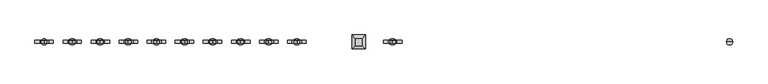
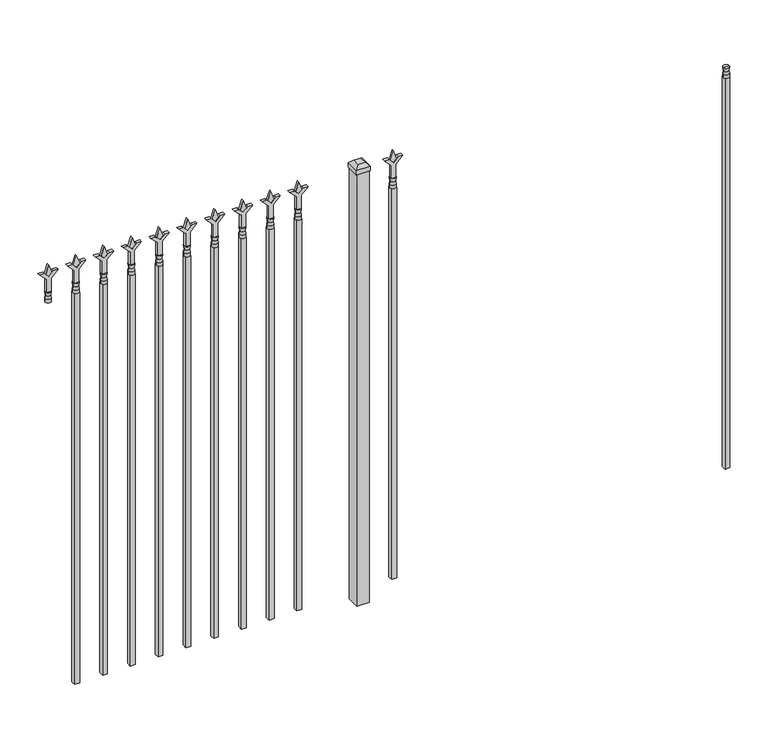
"""IFC4 building model written with IfcOpenShell, lengths in millimetres: railing geometry."""

from ifc_helpers import new_model, si_unit, frame, origin, origin_with_axes, place, context, project, spatial, polyline, circle_curve, outline, extrude, faceted_brep, source, transform, mapped, element, save
from ifc_brep_helpers import plane_surface, cylinder_surface, revolved_surface, advanced_brep


def railing_1b035f85(model_context):
    return source(origin(), model_context, "Body", "SolidModel", [
        advanced_brep(
        [(-64411.574337, 3022.3429826, 1689.1), (-64435.386837, 3022.3429826, 1689.1), (-64435.386837, 3022.3429826, 1676.4), (-64411.574337, 3022.3429826, 1676.4), (-64413.7796688, 3022.3429826, 1701.6070585), (-64433.1815051, 3022.3429826, 1701.6070585), (-64411.574337, 3022.3429826, 1717.675), (-64435.386837, 3022.3429826, 1717.675), (-64423.480587, 3022.3429826, 1717.675), (-64423.480587, 3022.3429826, 1676.4)],
        [
            (0, 1, circle_curve(frame((-64423.480587, 3022.3429826, 1689.1), z_axis=(0.0, 0.0, -1.0), x_axis=(-1.0, 0.0, 0.0)), 11.90625)),
            (1, 2),
            (2, 3, circle_curve(frame((-64423.480587, 3022.3429826, 1676.4), z_axis=(0.0, 0.0, 1.0), x_axis=(-1.0, 0.0, 0.0)), 11.90625)),
            (3, 0),
            (1, 0, circle_curve(frame((-64423.480587, 3022.3429826, 1689.1), z_axis=(0.0, 0.0, -1.0), x_axis=(-1.0, 0.0, 0.0)), 11.90625)),
            (3, 2, circle_curve(frame((-64423.480587, 3022.3429826, 1676.4), z_axis=(0.0, 0.0, 1.0), x_axis=(-1.0, 0.0, 0.0)), 11.90625)),
            (4, 5, circle_curve(frame((-64423.480587, 3022.3429826, 1701.6070585), z_axis=(0.0, 0.0, -1.0), x_axis=(-1.0, 0.0, 0.0)), 9.7009181)),
            (5, 1),
            (0, 4),
            (5, 4, circle_curve(frame((-64423.480587, 3022.3429826, 1701.6070585), z_axis=(0.0, 0.0, -1.0), x_axis=(-1.0, 0.0, 0.0)), 9.7009181)),
            (6, 7, circle_curve(frame((-64423.480587, 3022.3429826, 1717.675), z_axis=(0.0, 0.0, -1.0), x_axis=(-1.0, 0.0, 0.0)), 11.90625)),
            (7, 5),
            (4, 6),
            (7, 6, circle_curve(frame((-64423.480587, 3022.3429826, 1717.675), z_axis=(0.0, 0.0, -1.0), x_axis=(-1.0, 0.0, 0.0)), 11.90625)),
            (8, 7),
            (6, 8),
            (2, 9),
            (9, 3),
        ],
        [
            cylinder_surface(frame((-64423.480587, 3022.3429826, 1676.4), z_axis=(0.0, 0.0, 1.0), x_axis=(-1.0, 0.0, 0.0)), 11.90625),
            revolved_surface(polyline([(-64435.386837, 3022.3429826, 1689.1), (-64433.1815051, 3022.3429826, 1701.6070585)]), (-64423.480587, 3022.3429826, 1676.4), (0.0, 0.0, 1.0)),
            revolved_surface(polyline([(-64433.1815051, 3022.3429826, 1701.6070585), (-64435.386837, 3022.3429826, 1717.675)]), (-64423.480587, 3022.3429826, 1676.4), (0.0, 0.0, 1.0)),
            plane_surface(frame((-64423.480587, 3022.3429826, 1717.675), z_axis=(0.0, 0.0, 1.0), x_axis=(-1.0, 0.0, 0.0))),
            plane_surface(frame((-64423.480587, 3022.3429826, 1676.4), z_axis=(0.0, 0.0, -1.0), x_axis=(-1.0, 0.0, 0.0))),
        ],
        [
            (0, [[1, 2, 3, 4]]),
            (0, [[5, -4, 6, -2]]),
            (1, [[7, 8, -1, 9]]),
            (1, [[10, -9, -5, -8]]),
            (2, [[11, 12, -7, 13]]),
            (2, [[14, -13, -10, -12]]),
            (3, [[15, -11, 16]]),
            (3, [[-16, -14, -15]]),
            (4, [[-3, 17, 18]]),
            (4, [[-6, -18, -17]]),
        ],
    ),
        extrude(outline(polyline([(-64433.005587, 3031.8679826), (-64413.955587, 3031.8679826), (-64413.955587, 3012.8179826), (-64433.005587, 3012.8179826), (-64433.005587, 3031.8679826)])), frame((0.0, 0.0, 50.8), z_axis=(0.0, 0.0, 1.0), x_axis=(1.0, 0.0, 0.0)), (0.0, 0.0, 1.0), 1625.6),
        extrude(outline(polyline([(1793.08125, -65722.849337), (1828.8, -65734.755587), (1793.08125, -65746.661837), (1781.175, -65734.755587), (1793.08125, -65722.849337)])), frame((0.0, 3017.5804826, 0.0), z_axis=(0.0, 1.0, 0.0), x_axis=(0.0, 0.0, 1.0)), (0.0, 0.0, 1.0), 9.525),
        extrude(outline(polyline([(1717.675, -65726.024337), (1771.9457378, -65726.024337), (1799.1355122, -65698.8345625), (1799.1355122, -65716.7950747), (1781.175, -65734.755587), (1799.1355122, -65752.7160992), (1799.1355122, -65770.6766114), (1771.9457378, -65743.486837), (1717.675, -65743.486837), (1717.675, -65726.024337)])), frame((0.0, 3015.9929826, 0.0), z_axis=(0.0, 1.0, 0.0), x_axis=(0.0, 0.0, 1.0)), (0.0, 0.0, 1.0), 12.7),
        advanced_brep(
        [(-65722.849337, 3022.3429826, 1689.1), (-65746.661837, 3022.3429826, 1689.1), (-65746.661837, 3022.3429826, 1676.4), (-65722.849337, 3022.3429826, 1676.4), (-65725.0546688, 3022.3429826, 1701.6070585), (-65744.4565051, 3022.3429826, 1701.6070585), (-65722.849337, 3022.3429826, 1717.675), (-65746.661837, 3022.3429826, 1717.675), (-65734.755587, 3022.3429826, 1717.675), (-65734.755587, 3022.3429826, 1676.4)],
        [
            (0, 1, circle_curve(frame((-65734.755587, 3022.3429826, 1689.1), z_axis=(0.0, 0.0, -1.0), x_axis=(-1.0, 0.0, 0.0)), 11.90625)),
            (1, 2),
            (2, 3, circle_curve(frame((-65734.755587, 3022.3429826, 1676.4), z_axis=(0.0, 0.0, 1.0), x_axis=(-1.0, 0.0, 0.0)), 11.90625)),
            (3, 0),
            (1, 0, circle_curve(frame((-65734.755587, 3022.3429826, 1689.1), z_axis=(0.0, 0.0, -1.0), x_axis=(-1.0, 0.0, 0.0)), 11.90625)),
            (3, 2, circle_curve(frame((-65734.755587, 3022.3429826, 1676.4), z_axis=(0.0, 0.0, 1.0), x_axis=(-1.0, 0.0, 0.0)), 11.90625)),
            (4, 5, circle_curve(frame((-65734.755587, 3022.3429826, 1701.6070585), z_axis=(0.0, 0.0, -1.0), x_axis=(-1.0, 0.0, 0.0)), 9.7009181)),
            (5, 1),
            (0, 4),
            (5, 4, circle_curve(frame((-65734.755587, 3022.3429826, 1701.6070585), z_axis=(0.0, 0.0, -1.0), x_axis=(-1.0, 0.0, 0.0)), 9.7009181)),
            (6, 7, circle_curve(frame((-65734.755587, 3022.3429826, 1717.675), z_axis=(0.0, 0.0, -1.0), x_axis=(-1.0, 0.0, 0.0)), 11.90625)),
            (7, 5),
            (4, 6),
            (7, 6, circle_curve(frame((-65734.755587, 3022.3429826, 1717.675), z_axis=(0.0, 0.0, -1.0), x_axis=(-1.0, 0.0, 0.0)), 11.90625)),
            (8, 7),
            (6, 8),
            (2, 9),
            (9, 3),
        ],
        [
            cylinder_surface(frame((-65734.755587, 3022.3429826, 1676.4), z_axis=(0.0, 0.0, 1.0), x_axis=(-1.0, 0.0, 0.0)), 11.90625),
            revolved_surface(polyline([(-65746.661837, 3022.3429826, 1689.1), (-65744.4565051, 3022.3429826, 1701.6070585)]), (-65734.755587, 3022.3429826, 1676.4), (0.0, 0.0, 1.0)),
            revolved_surface(polyline([(-65744.4565051, 3022.3429826, 1701.6070585), (-65746.661837, 3022.3429826, 1717.675)]), (-65734.755587, 3022.3429826, 1676.4), (0.0, 0.0, 1.0)),
            plane_surface(frame((-65734.755587, 3022.3429826, 1717.675), z_axis=(0.0, 0.0, 1.0), x_axis=(-1.0, 0.0, 0.0))),
            plane_surface(frame((-65734.755587, 3022.3429826, 1676.4), z_axis=(0.0, 0.0, -1.0), x_axis=(-1.0, 0.0, 0.0))),
        ],
        [
            (0, [[1, 2, 3, 4]]),
            (0, [[5, -4, 6, -2]]),
            (1, [[7, 8, -1, 9]]),
            (1, [[10, -9, -5, -8]]),
            (2, [[11, 12, -7, 13]]),
            (2, [[14, -13, -10, -12]]),
            (3, [[15, -11, 16]]),
            (3, [[-16, -14, -15]]),
            (4, [[-3, 17, 18]]),
            (4, [[-6, -18, -17]]),
        ],
    ),
        extrude(outline(polyline([(-65744.280587, 3031.8679826), (-65725.230587, 3031.8679826), (-65725.230587, 3012.8179826), (-65744.280587, 3012.8179826), (-65744.280587, 3031.8679826)])), frame((0.0, 0.0, 50.8), z_axis=(0.0, 0.0, 1.0), x_axis=(1.0, 0.0, 0.0)), (0.0, 0.0, 1.0), 1625.6),
        extrude(outline(polyline([(-65841.118087, 3047.7429826), (-65841.118087, 2996.9429826), (-65891.918087, 2996.9429826), (-65891.918087, 3047.7429826), (-65841.118087, 3047.7429826)])), origin_with_axes(), (0.0, 0.0, 1.0), 1797.05),
        faceted_brep([(-65893.505587, 3049.3304826, 1816.1), (-65893.505587, 3049.3304826, 1797.05), (-65893.505587, 2995.3554826, 1797.05), (-65893.505587, 2995.3554826, 1816.1), (-65880.805587, 3036.6304826, 1828.8), (-65880.805587, 3008.0554826, 1828.8), (-65839.530587, 2995.3554826, 1797.05), (-65839.530587, 2995.3554826, 1816.1), (-65852.230587, 3008.0554826, 1828.8), (-65839.530587, 3049.3304826, 1797.05), (-65839.530587, 3049.3304826, 1816.1), (-65852.230587, 3036.6304826, 1828.8)], [[[0, 1, 2, 3]], [[4, 0, 3, 5]], [[3, 2, 6, 7]], [[5, 3, 7, 8]], [[7, 6, 9, 10]], [[8, 7, 10, 11]], [[10, 9, 1, 0]], [[11, 10, 0, 4]], [[5, 8, 11, 4]], [[1, 9, 6, 2]]]),
        extrude(outline(polyline([(1793.08125, -66095.6472536), (1828.8, -66107.5535036), (1793.08125, -66119.4597536), (1781.175, -66107.5535036), (1793.08125, -66095.6472536)])), frame((0.0, 3017.5804826, 0.0), z_axis=(0.0, 1.0, 0.0), x_axis=(0.0, 0.0, 1.0)), (0.0, 0.0, 1.0), 9.525),
        extrude(outline(polyline([(1717.675, -66098.8222536), (1771.9457378, -66098.8222536), (1799.1355122, -66071.6324791), (1799.1355122, -66089.5929914), (1781.175, -66107.5535036), (1799.1355122, -66125.5140159), (1799.1355122, -66143.4745281), (1771.9457378, -66116.2847536), (1717.675, -66116.2847536), (1717.675, -66098.8222536)])), frame((0.0, 3015.9929826, 0.0), z_axis=(0.0, 1.0, 0.0), x_axis=(0.0, 0.0, 1.0)), (0.0, 0.0, 1.0), 12.7),
        advanced_brep(
        [(-66095.6472536, 3022.3429826, 1689.1), (-66119.4597536, 3022.3429826, 1689.1), (-66119.4597536, 3022.3429826, 1676.4), (-66095.6472536, 3022.3429826, 1676.4), (-66097.8525855, 3022.3429826, 1701.6070585), (-66117.2544218, 3022.3429826, 1701.6070585), (-66095.6472536, 3022.3429826, 1717.675), (-66119.4597536, 3022.3429826, 1717.675), (-66107.5535036, 3022.3429826, 1717.675), (-66107.5535036, 3022.3429826, 1676.4)],
        [
            (0, 1, circle_curve(frame((-66107.5535036, 3022.3429826, 1689.1), z_axis=(0.0, 0.0, -1.0), x_axis=(-1.0, 0.0, 0.0)), 11.90625)),
            (1, 2),
            (2, 3, circle_curve(frame((-66107.5535036, 3022.3429826, 1676.4), z_axis=(0.0, 0.0, 1.0), x_axis=(-1.0, 0.0, 0.0)), 11.90625)),
            (3, 0),
            (1, 0, circle_curve(frame((-66107.5535036, 3022.3429826, 1689.1), z_axis=(0.0, 0.0, -1.0), x_axis=(-1.0, 0.0, 0.0)), 11.90625)),
            (3, 2, circle_curve(frame((-66107.5535036, 3022.3429826, 1676.4), z_axis=(0.0, 0.0, 1.0), x_axis=(-1.0, 0.0, 0.0)), 11.90625)),
            (4, 5, circle_curve(frame((-66107.5535036, 3022.3429826, 1701.6070585), z_axis=(0.0, 0.0, -1.0), x_axis=(-1.0, 0.0, 0.0)), 9.7009181)),
            (5, 1),
            (0, 4),
            (5, 4, circle_curve(frame((-66107.5535036, 3022.3429826, 1701.6070585), z_axis=(0.0, 0.0, -1.0), x_axis=(-1.0, 0.0, 0.0)), 9.7009181)),
            (6, 7, circle_curve(frame((-66107.5535036, 3022.3429826, 1717.675), z_axis=(0.0, 0.0, -1.0), x_axis=(-1.0, 0.0, 0.0)), 11.90625)),
            (7, 5),
            (4, 6),
            (7, 6, circle_curve(frame((-66107.5535036, 3022.3429826, 1717.675), z_axis=(0.0, 0.0, -1.0), x_axis=(-1.0, 0.0, 0.0)), 11.90625)),
            (8, 7),
            (6, 8),
            (2, 9),
            (9, 3),
        ],
        [
            cylinder_surface(frame((-66107.5535036, 3022.3429826, 1676.4), z_axis=(0.0, 0.0, 1.0), x_axis=(-1.0, 0.0, 0.0)), 11.90625),
            revolved_surface(polyline([(-66119.4597536, 3022.3429826, 1689.1), (-66117.2544218, 3022.3429826, 1701.6070585)]), (-66107.5535036, 3022.3429826, 1676.4), (0.0, 0.0, 1.0)),
            revolved_surface(polyline([(-66117.2544218, 3022.3429826, 1701.6070585), (-66119.4597536, 3022.3429826, 1717.675)]), (-66107.5535036, 3022.3429826, 1676.4), (0.0, 0.0, 1.0)),
            plane_surface(frame((-66107.5535036, 3022.3429826, 1717.675), z_axis=(0.0, 0.0, 1.0), x_axis=(-1.0, 0.0, 0.0))),
            plane_surface(frame((-66107.5535036, 3022.3429826, 1676.4), z_axis=(0.0, 0.0, -1.0), x_axis=(-1.0, 0.0, 0.0))),
        ],
        [
            (0, [[1, 2, 3, 4]]),
            (0, [[5, -4, 6, -2]]),
            (1, [[7, 8, -1, 9]]),
            (1, [[10, -9, -5, -8]]),
            (2, [[11, 12, -7, 13]]),
            (2, [[14, -13, -10, -12]]),
            (3, [[15, -11, 16]]),
            (3, [[-16, -14, -15]]),
            (4, [[-3, 17, 18]]),
            (4, [[-6, -18, -17]]),
        ],
    ),
        extrude(outline(polyline([(-66117.0785036, 3031.8679826), (-66098.0285036, 3031.8679826), (-66098.0285036, 3012.8179826), (-66117.0785036, 3012.8179826), (-66117.0785036, 3031.8679826)])), frame((0.0, 0.0, 50.8), z_axis=(0.0, 0.0, 1.0), x_axis=(1.0, 0.0, 0.0)), (0.0, 0.0, 1.0), 1625.6),
        extrude(outline(polyline([(1793.08125, -66204.9201703), (1828.8, -66216.8264203), (1793.08125, -66228.7326703), (1781.175, -66216.8264203), (1793.08125, -66204.9201703)])), frame((0.0, 3017.5804826, 0.0), z_axis=(0.0, 1.0, 0.0), x_axis=(0.0, 0.0, 1.0)), (0.0, 0.0, 1.0), 9.525),
        extrude(outline(polyline([(1717.675, -66208.0951703), (1771.9457378, -66208.0951703), (1799.1355122, -66180.9053958), (1799.1355122, -66198.8659081), (1781.175, -66216.8264203), (1799.1355122, -66234.7869325), (1799.1355122, -66252.7474448), (1771.9457378, -66225.5576703), (1717.675, -66225.5576703), (1717.675, -66208.0951703)])), frame((0.0, 3015.9929826, 0.0), z_axis=(0.0, 1.0, 0.0), x_axis=(0.0, 0.0, 1.0)), (0.0, 0.0, 1.0), 12.7),
        advanced_brep(
        [(-66204.9201703, 3022.3429826, 1689.1), (-66228.7326703, 3022.3429826, 1689.1), (-66228.7326703, 3022.3429826, 1676.4), (-66204.9201703, 3022.3429826, 1676.4), (-66207.1255022, 3022.3429826, 1701.6070585), (-66226.5273384, 3022.3429826, 1701.6070585), (-66204.9201703, 3022.3429826, 1717.675), (-66228.7326703, 3022.3429826, 1717.675), (-66216.8264203, 3022.3429826, 1717.675), (-66216.8264203, 3022.3429826, 1676.4)],
        [
            (0, 1, circle_curve(frame((-66216.8264203, 3022.3429826, 1689.1), z_axis=(0.0, 0.0, -1.0), x_axis=(-1.0, 0.0, 0.0)), 11.90625)),
            (1, 2),
            (2, 3, circle_curve(frame((-66216.8264203, 3022.3429826, 1676.4), z_axis=(0.0, 0.0, 1.0), x_axis=(-1.0, 0.0, 0.0)), 11.90625)),
            (3, 0),
            (1, 0, circle_curve(frame((-66216.8264203, 3022.3429826, 1689.1), z_axis=(0.0, 0.0, -1.0), x_axis=(-1.0, 0.0, 0.0)), 11.90625)),
            (3, 2, circle_curve(frame((-66216.8264203, 3022.3429826, 1676.4), z_axis=(0.0, 0.0, 1.0), x_axis=(-1.0, 0.0, 0.0)), 11.90625)),
            (4, 5, circle_curve(frame((-66216.8264203, 3022.3429826, 1701.6070585), z_axis=(0.0, 0.0, -1.0), x_axis=(-1.0, 0.0, 0.0)), 9.7009181)),
            (5, 1),
            (0, 4),
            (5, 4, circle_curve(frame((-66216.8264203, 3022.3429826, 1701.6070585), z_axis=(0.0, 0.0, -1.0), x_axis=(-1.0, 0.0, 0.0)), 9.7009181)),
            (6, 7, circle_curve(frame((-66216.8264203, 3022.3429826, 1717.675), z_axis=(0.0, 0.0, -1.0), x_axis=(-1.0, 0.0, 0.0)), 11.90625)),
            (7, 5),
            (4, 6),
            (7, 6, circle_curve(frame((-66216.8264203, 3022.3429826, 1717.675), z_axis=(0.0, 0.0, -1.0), x_axis=(-1.0, 0.0, 0.0)), 11.90625)),
            (8, 7),
            (6, 8),
            (2, 9),
            (9, 3),
        ],
        [
            cylinder_surface(frame((-66216.8264203, 3022.3429826, 1676.4), z_axis=(0.0, 0.0, 1.0), x_axis=(-1.0, 0.0, 0.0)), 11.90625),
            revolved_surface(polyline([(-66228.7326703, 3022.3429826, 1689.1), (-66226.5273384, 3022.3429826, 1701.6070585)]), (-66216.8264203, 3022.3429826, 1676.4), (0.0, 0.0, 1.0)),
            revolved_surface(polyline([(-66226.5273384, 3022.3429826, 1701.6070585), (-66228.7326703, 3022.3429826, 1717.675)]), (-66216.8264203, 3022.3429826, 1676.4), (0.0, 0.0, 1.0)),
            plane_surface(frame((-66216.8264203, 3022.3429826, 1717.675), z_axis=(0.0, 0.0, 1.0), x_axis=(-1.0, 0.0, 0.0))),
            plane_surface(frame((-66216.8264203, 3022.3429826, 1676.4), z_axis=(0.0, 0.0, -1.0), x_axis=(-1.0, 0.0, 0.0))),
        ],
        [
            (0, [[1, 2, 3, 4]]),
            (0, [[5, -4, 6, -2]]),
            (1, [[7, 8, -1, 9]]),
            (1, [[10, -9, -5, -8]]),
            (2, [[11, 12, -7, 13]]),
            (2, [[14, -13, -10, -12]]),
            (3, [[15, -11, 16]]),
            (3, [[-16, -14, -15]]),
            (4, [[-3, 17, 18]]),
            (4, [[-6, -18, -17]]),
        ],
    ),
        extrude(outline(polyline([(-66226.3514203, 3031.8679826), (-66207.3014203, 3031.8679826), (-66207.3014203, 3012.8179826), (-66226.3514203, 3012.8179826), (-66226.3514203, 3031.8679826)])), frame((0.0, 0.0, 50.8), z_axis=(0.0, 0.0, 1.0), x_axis=(1.0, 0.0, 0.0)), (0.0, 0.0, 1.0), 1625.6),
        extrude(outline(polyline([(1793.08125, -66314.193087), (1828.8, -66326.099337), (1793.08125, -66338.005587), (1781.175, -66326.099337), (1793.08125, -66314.193087)])), frame((0.0, 3017.5804826, 0.0), z_axis=(0.0, 1.0, 0.0), x_axis=(0.0, 0.0, 1.0)), (0.0, 0.0, 1.0), 9.525),
        extrude(outline(polyline([(1717.675, -66317.368087), (1771.9457378, -66317.368087), (1799.1355122, -66290.1783125), (1799.1355122, -66308.1388247), (1781.175, -66326.099337), (1799.1355122, -66344.0598492), (1799.1355122, -66362.0203614), (1771.9457378, -66334.830587), (1717.675, -66334.830587), (1717.675, -66317.368087)])), frame((0.0, 3015.9929826, 0.0), z_axis=(0.0, 1.0, 0.0), x_axis=(0.0, 0.0, 1.0)), (0.0, 0.0, 1.0), 12.7),
        advanced_brep(
        [(-66314.193087, 3022.3429826, 1689.1), (-66338.005587, 3022.3429826, 1689.1), (-66338.005587, 3022.3429826, 1676.4), (-66314.193087, 3022.3429826, 1676.4), (-66316.3984188, 3022.3429826, 1701.6070585), (-66335.8002551, 3022.3429826, 1701.6070585), (-66314.193087, 3022.3429826, 1717.675), (-66338.005587, 3022.3429826, 1717.675), (-66326.099337, 3022.3429826, 1717.675), (-66326.099337, 3022.3429826, 1676.4)],
        [
            (0, 1, circle_curve(frame((-66326.099337, 3022.3429826, 1689.1), z_axis=(0.0, 0.0, -1.0), x_axis=(-1.0, 0.0, 0.0)), 11.90625)),
            (1, 2),
            (2, 3, circle_curve(frame((-66326.099337, 3022.3429826, 1676.4), z_axis=(0.0, 0.0, 1.0), x_axis=(-1.0, 0.0, 0.0)), 11.90625)),
            (3, 0),
            (1, 0, circle_curve(frame((-66326.099337, 3022.3429826, 1689.1), z_axis=(0.0, 0.0, -1.0), x_axis=(-1.0, 0.0, 0.0)), 11.90625)),
            (3, 2, circle_curve(frame((-66326.099337, 3022.3429826, 1676.4), z_axis=(0.0, 0.0, 1.0), x_axis=(-1.0, 0.0, 0.0)), 11.90625)),
            (4, 5, circle_curve(frame((-66326.099337, 3022.3429826, 1701.6070585), z_axis=(0.0, 0.0, -1.0), x_axis=(-1.0, 0.0, 0.0)), 9.7009181)),
            (5, 1),
            (0, 4),
            (5, 4, circle_curve(frame((-66326.099337, 3022.3429826, 1701.6070585), z_axis=(0.0, 0.0, -1.0), x_axis=(-1.0, 0.0, 0.0)), 9.7009181)),
            (6, 7, circle_curve(frame((-66326.099337, 3022.3429826, 1717.675), z_axis=(0.0, 0.0, -1.0), x_axis=(-1.0, 0.0, 0.0)), 11.90625)),
            (7, 5),
            (4, 6),
            (7, 6, circle_curve(frame((-66326.099337, 3022.3429826, 1717.675), z_axis=(0.0, 0.0, -1.0), x_axis=(-1.0, 0.0, 0.0)), 11.90625)),
            (8, 7),
            (6, 8),
            (2, 9),
            (9, 3),
        ],
        [
            cylinder_surface(frame((-66326.099337, 3022.3429826, 1676.4), z_axis=(0.0, 0.0, 1.0), x_axis=(-1.0, 0.0, 0.0)), 11.90625),
            revolved_surface(polyline([(-66338.005587, 3022.3429826, 1689.1), (-66335.8002551, 3022.3429826, 1701.6070585)]), (-66326.099337, 3022.3429826, 1676.4), (0.0, 0.0, 1.0)),
            revolved_surface(polyline([(-66335.8002551, 3022.3429826, 1701.6070585), (-66338.005587, 3022.3429826, 1717.675)]), (-66326.099337, 3022.3429826, 1676.4), (0.0, 0.0, 1.0)),
            plane_surface(frame((-66326.099337, 3022.3429826, 1717.675), z_axis=(0.0, 0.0, 1.0), x_axis=(-1.0, 0.0, 0.0))),
            plane_surface(frame((-66326.099337, 3022.3429826, 1676.4), z_axis=(0.0, 0.0, -1.0), x_axis=(-1.0, 0.0, 0.0))),
        ],
        [
            (0, [[1, 2, 3, 4]]),
            (0, [[5, -4, 6, -2]]),
            (1, [[7, 8, -1, 9]]),
            (1, [[10, -9, -5, -8]]),
            (2, [[11, 12, -7, 13]]),
            (2, [[14, -13, -10, -12]]),
            (3, [[15, -11, 16]]),
            (3, [[-16, -14, -15]]),
            (4, [[-3, 17, 18]]),
            (4, [[-6, -18, -17]]),
        ],
    ),
        extrude(outline(polyline([(-66335.624337, 3031.8679826), (-66316.574337, 3031.8679826), (-66316.574337, 3012.8179826), (-66335.624337, 3012.8179826), (-66335.624337, 3031.8679826)])), frame((0.0, 0.0, 50.8), z_axis=(0.0, 0.0, 1.0), x_axis=(1.0, 0.0, 0.0)), (0.0, 0.0, 1.0), 1625.6),
        extrude(outline(polyline([(1793.08125, -66423.4660036), (1828.8, -66435.3722536), (1793.08125, -66447.2785036), (1781.175, -66435.3722536), (1793.08125, -66423.4660036)])), frame((0.0, 3017.5804826, 0.0), z_axis=(0.0, 1.0, 0.0), x_axis=(0.0, 0.0, 1.0)), (0.0, 0.0, 1.0), 9.525),
        extrude(outline(polyline([(1717.675, -66426.6410036), (1771.9457378, -66426.6410036), (1799.1355122, -66399.4512291), (1799.1355122, -66417.4117414), (1781.175, -66435.3722536), (1799.1355122, -66453.3327659), (1799.1355122, -66471.2932781), (1771.9457378, -66444.1035036), (1717.675, -66444.1035036), (1717.675, -66426.6410036)])), frame((0.0, 3015.9929826, 0.0), z_axis=(0.0, 1.0, 0.0), x_axis=(0.0, 0.0, 1.0)), (0.0, 0.0, 1.0), 12.7),
        advanced_brep(
        [(-66423.4660036, 3022.3429826, 1689.1), (-66447.2785036, 3022.3429826, 1689.1), (-66447.2785036, 3022.3429826, 1676.4), (-66423.4660036, 3022.3429826, 1676.4), (-66425.6713355, 3022.3429826, 1701.6070585), (-66445.0731718, 3022.3429826, 1701.6070585), (-66423.4660036, 3022.3429826, 1717.675), (-66447.2785036, 3022.3429826, 1717.675), (-66435.3722536, 3022.3429826, 1717.675), (-66435.3722536, 3022.3429826, 1676.4)],
        [
            (0, 1, circle_curve(frame((-66435.3722536, 3022.3429826, 1689.1), z_axis=(0.0, 0.0, -1.0), x_axis=(-1.0, 0.0, 0.0)), 11.90625)),
            (1, 2),
            (2, 3, circle_curve(frame((-66435.3722536, 3022.3429826, 1676.4), z_axis=(0.0, 0.0, 1.0), x_axis=(-1.0, 0.0, 0.0)), 11.90625)),
            (3, 0),
            (1, 0, circle_curve(frame((-66435.3722536, 3022.3429826, 1689.1), z_axis=(0.0, 0.0, -1.0), x_axis=(-1.0, 0.0, 0.0)), 11.90625)),
            (3, 2, circle_curve(frame((-66435.3722536, 3022.3429826, 1676.4), z_axis=(0.0, 0.0, 1.0), x_axis=(-1.0, 0.0, 0.0)), 11.90625)),
            (4, 5, circle_curve(frame((-66435.3722536, 3022.3429826, 1701.6070585), z_axis=(0.0, 0.0, -1.0), x_axis=(-1.0, 0.0, 0.0)), 9.7009181)),
            (5, 1),
            (0, 4),
            (5, 4, circle_curve(frame((-66435.3722536, 3022.3429826, 1701.6070585), z_axis=(0.0, 0.0, -1.0), x_axis=(-1.0, 0.0, 0.0)), 9.7009181)),
            (6, 7, circle_curve(frame((-66435.3722536, 3022.3429826, 1717.675), z_axis=(0.0, 0.0, -1.0), x_axis=(-1.0, 0.0, 0.0)), 11.90625)),
            (7, 5),
            (4, 6),
            (7, 6, circle_curve(frame((-66435.3722536, 3022.3429826, 1717.675), z_axis=(0.0, 0.0, -1.0), x_axis=(-1.0, 0.0, 0.0)), 11.90625)),
            (8, 7),
            (6, 8),
            (2, 9),
            (9, 3),
        ],
        [
            cylinder_surface(frame((-66435.3722536, 3022.3429826, 1676.4), z_axis=(0.0, 0.0, 1.0), x_axis=(-1.0, 0.0, 0.0)), 11.90625),
            revolved_surface(polyline([(-66447.2785036, 3022.3429826, 1689.1), (-66445.0731718, 3022.3429826, 1701.6070585)]), (-66435.3722536, 3022.3429826, 1676.4), (0.0, 0.0, 1.0)),
            revolved_surface(polyline([(-66445.0731718, 3022.3429826, 1701.6070585), (-66447.2785036, 3022.3429826, 1717.675)]), (-66435.3722536, 3022.3429826, 1676.4), (0.0, 0.0, 1.0)),
            plane_surface(frame((-66435.3722536, 3022.3429826, 1717.675), z_axis=(0.0, 0.0, 1.0), x_axis=(-1.0, 0.0, 0.0))),
            plane_surface(frame((-66435.3722536, 3022.3429826, 1676.4), z_axis=(0.0, 0.0, -1.0), x_axis=(-1.0, 0.0, 0.0))),
        ],
        [
            (0, [[1, 2, 3, 4]]),
            (0, [[5, -4, 6, -2]]),
            (1, [[7, 8, -1, 9]]),
            (1, [[10, -9, -5, -8]]),
            (2, [[11, 12, -7, 13]]),
            (2, [[14, -13, -10, -12]]),
            (3, [[15, -11, 16]]),
            (3, [[-16, -14, -15]]),
            (4, [[-3, 17, 18]]),
            (4, [[-6, -18, -17]]),
        ],
    ),
        extrude(outline(polyline([(-66444.8972536, 3031.8679826), (-66425.8472536, 3031.8679826), (-66425.8472536, 3012.8179826), (-66444.8972536, 3012.8179826), (-66444.8972536, 3031.8679826)])), frame((0.0, 0.0, 50.8), z_axis=(0.0, 0.0, 1.0), x_axis=(1.0, 0.0, 0.0)), (0.0, 0.0, 1.0), 1625.6),
        extrude(outline(polyline([(1793.08125, -66532.7389203), (1828.8, -66544.6451703), (1793.08125, -66556.5514203), (1781.175, -66544.6451703), (1793.08125, -66532.7389203)])), frame((0.0, 3017.5804826, 0.0), z_axis=(0.0, 1.0, 0.0), x_axis=(0.0, 0.0, 1.0)), (0.0, 0.0, 1.0), 9.525),
        extrude(outline(polyline([(1717.675, -66535.9139203), (1771.9457378, -66535.9139203), (1799.1355122, -66508.7241458), (1799.1355122, -66526.6846581), (1781.175, -66544.6451703), (1799.1355122, -66562.6056825), (1799.1355122, -66580.5661948), (1771.9457378, -66553.3764203), (1717.675, -66553.3764203), (1717.675, -66535.9139203)])), frame((0.0, 3015.9929826, 0.0), z_axis=(0.0, 1.0, 0.0), x_axis=(0.0, 0.0, 1.0)), (0.0, 0.0, 1.0), 12.7),
        advanced_brep(
        [(-66532.7389203, 3022.3429826, 1689.1), (-66556.5514203, 3022.3429826, 1689.1), (-66556.5514203, 3022.3429826, 1676.4), (-66532.7389203, 3022.3429826, 1676.4), (-66534.9442522, 3022.3429826, 1701.6070585), (-66554.3460884, 3022.3429826, 1701.6070585), (-66532.7389203, 3022.3429826, 1717.675), (-66556.5514203, 3022.3429826, 1717.675), (-66544.6451703, 3022.3429826, 1717.675), (-66544.6451703, 3022.3429826, 1676.4)],
        [
            (0, 1, circle_curve(frame((-66544.6451703, 3022.3429826, 1689.1), z_axis=(0.0, 0.0, -1.0), x_axis=(-1.0, 0.0, 0.0)), 11.90625)),
            (1, 2),
            (2, 3, circle_curve(frame((-66544.6451703, 3022.3429826, 1676.4), z_axis=(0.0, 0.0, 1.0), x_axis=(-1.0, 0.0, 0.0)), 11.90625)),
            (3, 0),
            (1, 0, circle_curve(frame((-66544.6451703, 3022.3429826, 1689.1), z_axis=(0.0, 0.0, -1.0), x_axis=(-1.0, 0.0, 0.0)), 11.90625)),
            (3, 2, circle_curve(frame((-66544.6451703, 3022.3429826, 1676.4), z_axis=(0.0, 0.0, 1.0), x_axis=(-1.0, 0.0, 0.0)), 11.90625)),
            (4, 5, circle_curve(frame((-66544.6451703, 3022.3429826, 1701.6070585), z_axis=(0.0, 0.0, -1.0), x_axis=(-1.0, 0.0, 0.0)), 9.7009181)),
            (5, 1),
            (0, 4),
            (5, 4, circle_curve(frame((-66544.6451703, 3022.3429826, 1701.6070585), z_axis=(0.0, 0.0, -1.0), x_axis=(-1.0, 0.0, 0.0)), 9.7009181)),
            (6, 7, circle_curve(frame((-66544.6451703, 3022.3429826, 1717.675), z_axis=(0.0, 0.0, -1.0), x_axis=(-1.0, 0.0, 0.0)), 11.90625)),
            (7, 5),
            (4, 6),
            (7, 6, circle_curve(frame((-66544.6451703, 3022.3429826, 1717.675), z_axis=(0.0, 0.0, -1.0), x_axis=(-1.0, 0.0, 0.0)), 11.90625)),
            (8, 7),
            (6, 8),
            (2, 9),
            (9, 3),
        ],
        [
            cylinder_surface(frame((-66544.6451703, 3022.3429826, 1676.4), z_axis=(0.0, 0.0, 1.0), x_axis=(-1.0, 0.0, 0.0)), 11.90625),
            revolved_surface(polyline([(-66556.5514203, 3022.3429826, 1689.1), (-66554.3460884, 3022.3429826, 1701.6070585)]), (-66544.6451703, 3022.3429826, 1676.4), (0.0, 0.0, 1.0)),
            revolved_surface(polyline([(-66554.3460884, 3022.3429826, 1701.6070585), (-66556.5514203, 3022.3429826, 1717.675)]), (-66544.6451703, 3022.3429826, 1676.4), (0.0, 0.0, 1.0)),
            plane_surface(frame((-66544.6451703, 3022.3429826, 1717.675), z_axis=(0.0, 0.0, 1.0), x_axis=(-1.0, 0.0, 0.0))),
            plane_surface(frame((-66544.6451703, 3022.3429826, 1676.4), z_axis=(0.0, 0.0, -1.0), x_axis=(-1.0, 0.0, 0.0))),
        ],
        [
            (0, [[1, 2, 3, 4]]),
            (0, [[5, -4, 6, -2]]),
            (1, [[7, 8, -1, 9]]),
            (1, [[10, -9, -5, -8]]),
            (2, [[11, 12, -7, 13]]),
            (2, [[14, -13, -10, -12]]),
            (3, [[15, -11, 16]]),
            (3, [[-16, -14, -15]]),
            (4, [[-3, 17, 18]]),
            (4, [[-6, -18, -17]]),
        ],
    ),
        extrude(outline(polyline([(-66554.1701703, 3031.8679826), (-66535.1201703, 3031.8679826), (-66535.1201703, 3012.8179826), (-66554.1701703, 3012.8179826), (-66554.1701703, 3031.8679826)])), frame((0.0, 0.0, 50.8), z_axis=(0.0, 0.0, 1.0), x_axis=(1.0, 0.0, 0.0)), (0.0, 0.0, 1.0), 1625.6),
        extrude(outline(polyline([(1793.08125, -66642.011837), (1828.8, -66653.918087), (1793.08125, -66665.824337), (1781.175, -66653.918087), (1793.08125, -66642.011837)])), frame((0.0, 3017.5804826, 0.0), z_axis=(0.0, 1.0, 0.0), x_axis=(0.0, 0.0, 1.0)), (0.0, 0.0, 1.0), 9.525),
        extrude(outline(polyline([(1717.675, -66645.186837), (1771.9457378, -66645.186837), (1799.1355122, -66617.9970625), (1799.1355122, -66635.9575747), (1781.175, -66653.918087), (1799.1355122, -66671.8785992), (1799.1355122, -66689.8391114), (1771.9457378, -66662.649337), (1717.675, -66662.649337), (1717.675, -66645.186837)])), frame((0.0, 3015.9929826, 0.0), z_axis=(0.0, 1.0, 0.0), x_axis=(0.0, 0.0, 1.0)), (0.0, 0.0, 1.0), 12.7),
        advanced_brep(
        [(-66642.011837, 3022.3429826, 1689.1), (-66665.824337, 3022.3429826, 1689.1), (-66665.824337, 3022.3429826, 1676.4), (-66642.011837, 3022.3429826, 1676.4), (-66644.2171688, 3022.3429826, 1701.6070585), (-66663.6190051, 3022.3429826, 1701.6070585), (-66642.011837, 3022.3429826, 1717.675), (-66665.824337, 3022.3429826, 1717.675), (-66653.918087, 3022.3429826, 1717.675), (-66653.918087, 3022.3429826, 1676.4)],
        [
            (0, 1, circle_curve(frame((-66653.918087, 3022.3429826, 1689.1), z_axis=(0.0, 0.0, -1.0), x_axis=(-1.0, 0.0, 0.0)), 11.90625)),
            (1, 2),
            (2, 3, circle_curve(frame((-66653.918087, 3022.3429826, 1676.4), z_axis=(0.0, 0.0, 1.0), x_axis=(-1.0, 0.0, 0.0)), 11.90625)),
            (3, 0),
            (1, 0, circle_curve(frame((-66653.918087, 3022.3429826, 1689.1), z_axis=(0.0, 0.0, -1.0), x_axis=(-1.0, 0.0, 0.0)), 11.90625)),
            (3, 2, circle_curve(frame((-66653.918087, 3022.3429826, 1676.4), z_axis=(0.0, 0.0, 1.0), x_axis=(-1.0, 0.0, 0.0)), 11.90625)),
            (4, 5, circle_curve(frame((-66653.918087, 3022.3429826, 1701.6070585), z_axis=(0.0, 0.0, -1.0), x_axis=(-1.0, 0.0, 0.0)), 9.7009181)),
            (5, 1),
            (0, 4),
            (5, 4, circle_curve(frame((-66653.918087, 3022.3429826, 1701.6070585), z_axis=(0.0, 0.0, -1.0), x_axis=(-1.0, 0.0, 0.0)), 9.7009181)),
            (6, 7, circle_curve(frame((-66653.918087, 3022.3429826, 1717.675), z_axis=(0.0, 0.0, -1.0), x_axis=(-1.0, 0.0, 0.0)), 11.90625)),
            (7, 5),
            (4, 6),
            (7, 6, circle_curve(frame((-66653.918087, 3022.3429826, 1717.675), z_axis=(0.0, 0.0, -1.0), x_axis=(-1.0, 0.0, 0.0)), 11.90625)),
            (8, 7),
            (6, 8),
            (2, 9),
            (9, 3),
        ],
        [
            cylinder_surface(frame((-66653.918087, 3022.3429826, 1676.4), z_axis=(0.0, 0.0, 1.0), x_axis=(-1.0, 0.0, 0.0)), 11.90625),
            revolved_surface(polyline([(-66665.824337, 3022.3429826, 1689.1), (-66663.6190051, 3022.3429826, 1701.6070585)]), (-66653.918087, 3022.3429826, 1676.4), (0.0, 0.0, 1.0)),
            revolved_surface(polyline([(-66663.6190051, 3022.3429826, 1701.6070585), (-66665.824337, 3022.3429826, 1717.675)]), (-66653.918087, 3022.3429826, 1676.4), (0.0, 0.0, 1.0)),
            plane_surface(frame((-66653.918087, 3022.3429826, 1717.675), z_axis=(0.0, 0.0, 1.0), x_axis=(-1.0, 0.0, 0.0))),
            plane_surface(frame((-66653.918087, 3022.3429826, 1676.4), z_axis=(0.0, 0.0, -1.0), x_axis=(-1.0, 0.0, 0.0))),
        ],
        [
            (0, [[1, 2, 3, 4]]),
            (0, [[5, -4, 6, -2]]),
            (1, [[7, 8, -1, 9]]),
            (1, [[10, -9, -5, -8]]),
            (2, [[11, 12, -7, 13]]),
            (2, [[14, -13, -10, -12]]),
            (3, [[15, -11, 16]]),
            (3, [[-16, -14, -15]]),
            (4, [[-3, 17, 18]]),
            (4, [[-6, -18, -17]]),
        ],
    ),
        extrude(outline(polyline([(-66663.443087, 3031.8679826), (-66644.393087, 3031.8679826), (-66644.393087, 3012.8179826), (-66663.443087, 3012.8179826), (-66663.443087, 3031.8679826)])), frame((0.0, 0.0, 50.8), z_axis=(0.0, 0.0, 1.0), x_axis=(1.0, 0.0, 0.0)), (0.0, 0.0, 1.0), 1625.6),
        extrude(outline(polyline([(1793.08125, -66751.2847536), (1828.8, -66763.1910036), (1793.08125, -66775.0972536), (1781.175, -66763.1910036), (1793.08125, -66751.2847536)])), frame((0.0, 3017.5804826, 0.0), z_axis=(0.0, 1.0, 0.0), x_axis=(0.0, 0.0, 1.0)), (0.0, 0.0, 1.0), 9.525),
        extrude(outline(polyline([(1717.675, -66754.4597536), (1771.9457378, -66754.4597536), (1799.1355122, -66727.2699791), (1799.1355122, -66745.2304914), (1781.175, -66763.1910036), (1799.1355122, -66781.1515159), (1799.1355122, -66799.1120281), (1771.9457378, -66771.9222536), (1717.675, -66771.9222536), (1717.675, -66754.4597536)])), frame((0.0, 3015.9929826, 0.0), z_axis=(0.0, 1.0, 0.0), x_axis=(0.0, 0.0, 1.0)), (0.0, 0.0, 1.0), 12.7),
        advanced_brep(
        [(-66751.2847536, 3022.3429826, 1689.1), (-66775.0972536, 3022.3429826, 1689.1), (-66775.0972536, 3022.3429826, 1676.4), (-66751.2847536, 3022.3429826, 1676.4), (-66753.4900855, 3022.3429826, 1701.6070585), (-66772.8919218, 3022.3429826, 1701.6070585), (-66751.2847536, 3022.3429826, 1717.675), (-66775.0972536, 3022.3429826, 1717.675), (-66763.1910036, 3022.3429826, 1717.675), (-66763.1910036, 3022.3429826, 1676.4)],
        [
            (0, 1, circle_curve(frame((-66763.1910036, 3022.3429826, 1689.1), z_axis=(0.0, 0.0, -1.0), x_axis=(-1.0, 0.0, 0.0)), 11.90625)),
            (1, 2),
            (2, 3, circle_curve(frame((-66763.1910036, 3022.3429826, 1676.4), z_axis=(0.0, 0.0, 1.0), x_axis=(-1.0, 0.0, 0.0)), 11.90625)),
            (3, 0),
            (1, 0, circle_curve(frame((-66763.1910036, 3022.3429826, 1689.1), z_axis=(0.0, 0.0, -1.0), x_axis=(-1.0, 0.0, 0.0)), 11.90625)),
            (3, 2, circle_curve(frame((-66763.1910036, 3022.3429826, 1676.4), z_axis=(0.0, 0.0, 1.0), x_axis=(-1.0, 0.0, 0.0)), 11.90625)),
            (4, 5, circle_curve(frame((-66763.1910036, 3022.3429826, 1701.6070585), z_axis=(0.0, 0.0, -1.0), x_axis=(-1.0, 0.0, 0.0)), 9.7009181)),
            (5, 1),
            (0, 4),
            (5, 4, circle_curve(frame((-66763.1910036, 3022.3429826, 1701.6070585), z_axis=(0.0, 0.0, -1.0), x_axis=(-1.0, 0.0, 0.0)), 9.7009181)),
            (6, 7, circle_curve(frame((-66763.1910036, 3022.3429826, 1717.675), z_axis=(0.0, 0.0, -1.0), x_axis=(-1.0, 0.0, 0.0)), 11.90625)),
            (7, 5),
            (4, 6),
            (7, 6, circle_curve(frame((-66763.1910036, 3022.3429826, 1717.675), z_axis=(0.0, 0.0, -1.0), x_axis=(-1.0, 0.0, 0.0)), 11.90625)),
            (8, 7),
            (6, 8),
            (2, 9),
            (9, 3),
        ],
        [
            cylinder_surface(frame((-66763.1910036, 3022.3429826, 1676.4), z_axis=(0.0, 0.0, 1.0), x_axis=(-1.0, 0.0, 0.0)), 11.90625),
            revolved_surface(polyline([(-66775.0972536, 3022.3429826, 1689.1), (-66772.8919218, 3022.3429826, 1701.6070585)]), (-66763.1910036, 3022.3429826, 1676.4), (0.0, 0.0, 1.0)),
            revolved_surface(polyline([(-66772.8919218, 3022.3429826, 1701.6070585), (-66775.0972536, 3022.3429826, 1717.675)]), (-66763.1910036, 3022.3429826, 1676.4), (0.0, 0.0, 1.0)),
            plane_surface(frame((-66763.1910036, 3022.3429826, 1717.675), z_axis=(0.0, 0.0, 1.0), x_axis=(-1.0, 0.0, 0.0))),
            plane_surface(frame((-66763.1910036, 3022.3429826, 1676.4), z_axis=(0.0, 0.0, -1.0), x_axis=(-1.0, 0.0, 0.0))),
        ],
        [
            (0, [[1, 2, 3, 4]]),
            (0, [[5, -4, 6, -2]]),
            (1, [[7, 8, -1, 9]]),
            (1, [[10, -9, -5, -8]]),
            (2, [[11, 12, -7, 13]]),
            (2, [[14, -13, -10, -12]]),
            (3, [[15, -11, 16]]),
            (3, [[-16, -14, -15]]),
            (4, [[-3, 17, 18]]),
            (4, [[-6, -18, -17]]),
        ],
    ),
        extrude(outline(polyline([(-66772.7160036, 3031.8679826), (-66753.6660036, 3031.8679826), (-66753.6660036, 3012.8179826), (-66772.7160036, 3012.8179826), (-66772.7160036, 3031.8679826)])), frame((0.0, 0.0, 50.8), z_axis=(0.0, 0.0, 1.0), x_axis=(1.0, 0.0, 0.0)), (0.0, 0.0, 1.0), 1625.6),
        extrude(outline(polyline([(1793.08125, -66860.5576703), (1828.8, -66872.4639203), (1793.08125, -66884.3701703), (1781.175, -66872.4639203), (1793.08125, -66860.5576703)])), frame((0.0, 3017.5804826, 0.0), z_axis=(0.0, 1.0, 0.0), x_axis=(0.0, 0.0, 1.0)), (0.0, 0.0, 1.0), 9.525),
        extrude(outline(polyline([(1717.675, -66863.7326703), (1771.9457378, -66863.7326703), (1799.1355122, -66836.5428958), (1799.1355122, -66854.5034081), (1781.175, -66872.4639203), (1799.1355122, -66890.4244325), (1799.1355122, -66908.3849448), (1771.9457378, -66881.1951703), (1717.675, -66881.1951703), (1717.675, -66863.7326703)])), frame((0.0, 3015.9929826, 0.0), z_axis=(0.0, 1.0, 0.0), x_axis=(0.0, 0.0, 1.0)), (0.0, 0.0, 1.0), 12.7),
        advanced_brep(
        [(-66860.5576703, 3022.3429826, 1689.1), (-66884.3701703, 3022.3429826, 1689.1), (-66884.3701703, 3022.3429826, 1676.4), (-66860.5576703, 3022.3429826, 1676.4), (-66862.7630022, 3022.3429826, 1701.6070585), (-66882.1648384, 3022.3429826, 1701.6070585), (-66860.5576703, 3022.3429826, 1717.675), (-66884.3701703, 3022.3429826, 1717.675), (-66872.4639203, 3022.3429826, 1717.675), (-66872.4639203, 3022.3429826, 1676.4)],
        [
            (0, 1, circle_curve(frame((-66872.4639203, 3022.3429826, 1689.1), z_axis=(0.0, 0.0, -1.0), x_axis=(-1.0, 0.0, 0.0)), 11.90625)),
            (1, 2),
            (2, 3, circle_curve(frame((-66872.4639203, 3022.3429826, 1676.4), z_axis=(0.0, 0.0, 1.0), x_axis=(-1.0, 0.0, 0.0)), 11.90625)),
            (3, 0),
            (1, 0, circle_curve(frame((-66872.4639203, 3022.3429826, 1689.1), z_axis=(0.0, 0.0, -1.0), x_axis=(-1.0, 0.0, 0.0)), 11.90625)),
            (3, 2, circle_curve(frame((-66872.4639203, 3022.3429826, 1676.4), z_axis=(0.0, 0.0, 1.0), x_axis=(-1.0, 0.0, 0.0)), 11.90625)),
            (4, 5, circle_curve(frame((-66872.4639203, 3022.3429826, 1701.6070585), z_axis=(0.0, 0.0, -1.0), x_axis=(-1.0, 0.0, 0.0)), 9.7009181)),
            (5, 1),
            (0, 4),
            (5, 4, circle_curve(frame((-66872.4639203, 3022.3429826, 1701.6070585), z_axis=(0.0, 0.0, -1.0), x_axis=(-1.0, 0.0, 0.0)), 9.7009181)),
            (6, 7, circle_curve(frame((-66872.4639203, 3022.3429826, 1717.675), z_axis=(0.0, 0.0, -1.0), x_axis=(-1.0, 0.0, 0.0)), 11.90625)),
            (7, 5),
            (4, 6),
            (7, 6, circle_curve(frame((-66872.4639203, 3022.3429826, 1717.675), z_axis=(0.0, 0.0, -1.0), x_axis=(-1.0, 0.0, 0.0)), 11.90625)),
            (8, 7),
            (6, 8),
            (2, 9),
            (9, 3),
        ],
        [
            cylinder_surface(frame((-66872.4639203, 3022.3429826, 1676.4), z_axis=(0.0, 0.0, 1.0), x_axis=(-1.0, 0.0, 0.0)), 11.90625),
            revolved_surface(polyline([(-66884.3701703, 3022.3429826, 1689.1), (-66882.1648384, 3022.3429826, 1701.6070585)]), (-66872.4639203, 3022.3429826, 1676.4), (0.0, 0.0, 1.0)),
            revolved_surface(polyline([(-66882.1648384, 3022.3429826, 1701.6070585), (-66884.3701703, 3022.3429826, 1717.675)]), (-66872.4639203, 3022.3429826, 1676.4), (0.0, 0.0, 1.0)),
            plane_surface(frame((-66872.4639203, 3022.3429826, 1717.675), z_axis=(0.0, 0.0, 1.0), x_axis=(-1.0, 0.0, 0.0))),
            plane_surface(frame((-66872.4639203, 3022.3429826, 1676.4), z_axis=(0.0, 0.0, -1.0), x_axis=(-1.0, 0.0, 0.0))),
        ],
        [
            (0, [[1, 2, 3, 4]]),
            (0, [[5, -4, 6, -2]]),
            (1, [[7, 8, -1, 9]]),
            (1, [[10, -9, -5, -8]]),
            (2, [[11, 12, -7, 13]]),
            (2, [[14, -13, -10, -12]]),
            (3, [[15, -11, 16]]),
            (3, [[-16, -14, -15]]),
            (4, [[-3, 17, 18]]),
            (4, [[-6, -18, -17]]),
        ],
    ),
        extrude(outline(polyline([(-66881.9889203, 3031.8679826), (-66862.9389203, 3031.8679826), (-66862.9389203, 3012.8179826), (-66881.9889203, 3012.8179826), (-66881.9889203, 3031.8679826)])), frame((0.0, 0.0, 50.8), z_axis=(0.0, 0.0, 1.0), x_axis=(1.0, 0.0, 0.0)), (0.0, 0.0, 1.0), 1625.6),
        extrude(outline(polyline([(1793.08125, -66969.830587), (1828.8, -66981.736837), (1793.08125, -66993.643087), (1781.175, -66981.736837), (1793.08125, -66969.830587)])), frame((0.0, 3017.5804826, 0.0), z_axis=(0.0, 1.0, 0.0), x_axis=(0.0, 0.0, 1.0)), (0.0, 0.0, 1.0), 9.525),
        extrude(outline(polyline([(1717.675, -66973.005587), (1771.9457378, -66973.005587), (1799.1355122, -66945.8158125), (1799.1355122, -66963.7763247), (1781.175, -66981.736837), (1799.1355122, -66999.6973492), (1799.1355122, -67017.6578614), (1771.9457378, -66990.468087), (1717.675, -66990.468087), (1717.675, -66973.005587)])), frame((0.0, 3015.9929826, 0.0), z_axis=(0.0, 1.0, 0.0), x_axis=(0.0, 0.0, 1.0)), (0.0, 0.0, 1.0), 12.7),
        advanced_brep(
        [(-66969.830587, 3022.3429826, 1689.1), (-66993.643087, 3022.3429826, 1689.1), (-66993.643087, 3022.3429826, 1676.4), (-66969.830587, 3022.3429826, 1676.4), (-66972.0359188, 3022.3429826, 1701.6070585), (-66991.4377551, 3022.3429826, 1701.6070585), (-66969.830587, 3022.3429826, 1717.675), (-66993.643087, 3022.3429826, 1717.675), (-66981.736837, 3022.3429826, 1717.675), (-66981.736837, 3022.3429826, 1676.4)],
        [
            (0, 1, circle_curve(frame((-66981.736837, 3022.3429826, 1689.1), z_axis=(0.0, 0.0, -1.0), x_axis=(-1.0, 0.0, 0.0)), 11.90625)),
            (1, 2),
            (2, 3, circle_curve(frame((-66981.736837, 3022.3429826, 1676.4), z_axis=(0.0, 0.0, 1.0), x_axis=(-1.0, 0.0, 0.0)), 11.90625)),
            (3, 0),
            (1, 0, circle_curve(frame((-66981.736837, 3022.3429826, 1689.1), z_axis=(0.0, 0.0, -1.0), x_axis=(-1.0, 0.0, 0.0)), 11.90625)),
            (3, 2, circle_curve(frame((-66981.736837, 3022.3429826, 1676.4), z_axis=(0.0, 0.0, 1.0), x_axis=(-1.0, 0.0, 0.0)), 11.90625)),
            (4, 5, circle_curve(frame((-66981.736837, 3022.3429826, 1701.6070585), z_axis=(0.0, 0.0, -1.0), x_axis=(-1.0, 0.0, 0.0)), 9.7009181)),
            (5, 1),
            (0, 4),
            (5, 4, circle_curve(frame((-66981.736837, 3022.3429826, 1701.6070585), z_axis=(0.0, 0.0, -1.0), x_axis=(-1.0, 0.0, 0.0)), 9.7009181)),
            (6, 7, circle_curve(frame((-66981.736837, 3022.3429826, 1717.675), z_axis=(0.0, 0.0, -1.0), x_axis=(-1.0, 0.0, 0.0)), 11.90625)),
            (7, 5),
            (4, 6),
            (7, 6, circle_curve(frame((-66981.736837, 3022.3429826, 1717.675), z_axis=(0.0, 0.0, -1.0), x_axis=(-1.0, 0.0, 0.0)), 11.90625)),
            (8, 7),
            (6, 8),
            (2, 9),
            (9, 3),
        ],
        [
            cylinder_surface(frame((-66981.736837, 3022.3429826, 1676.4), z_axis=(0.0, 0.0, 1.0), x_axis=(-1.0, 0.0, 0.0)), 11.90625),
            revolved_surface(polyline([(-66993.643087, 3022.3429826, 1689.1), (-66991.4377551, 3022.3429826, 1701.6070585)]), (-66981.736837, 3022.3429826, 1676.4), (0.0, 0.0, 1.0)),
            revolved_surface(polyline([(-66991.4377551, 3022.3429826, 1701.6070585), (-66993.643087, 3022.3429826, 1717.675)]), (-66981.736837, 3022.3429826, 1676.4), (0.0, 0.0, 1.0)),
            plane_surface(frame((-66981.736837, 3022.3429826, 1717.675), z_axis=(0.0, 0.0, 1.0), x_axis=(-1.0, 0.0, 0.0))),
            plane_surface(frame((-66981.736837, 3022.3429826, 1676.4), z_axis=(0.0, 0.0, -1.0), x_axis=(-1.0, 0.0, 0.0))),
        ],
        [
            (0, [[1, 2, 3, 4]]),
            (0, [[5, -4, 6, -2]]),
            (1, [[7, 8, -1, 9]]),
            (1, [[10, -9, -5, -8]]),
            (2, [[11, 12, -7, 13]]),
            (2, [[14, -13, -10, -12]]),
            (3, [[15, -11, 16]]),
            (3, [[-16, -14, -15]]),
            (4, [[-3, 17, 18]]),
            (4, [[-6, -18, -17]]),
        ],
    ),
        extrude(outline(polyline([(-66991.261837, 3031.8679826), (-66972.211837, 3031.8679826), (-66972.211837, 3012.8179826), (-66991.261837, 3012.8179826), (-66991.261837, 3031.8679826)])), frame((0.0, 0.0, 50.8), z_axis=(0.0, 0.0, 1.0), x_axis=(1.0, 0.0, 0.0)), (0.0, 0.0, 1.0), 1625.6),
        extrude(outline(polyline([(1793.08125, -67079.1035036), (1828.8, -67091.0097536), (1793.08125, -67102.9160036), (1781.175, -67091.0097536), (1793.08125, -67079.1035036)])), frame((0.0, 3017.5804826, 0.0), z_axis=(0.0, 1.0, 0.0), x_axis=(0.0, 0.0, 1.0)), (0.0, 0.0, 1.0), 9.525),
        extrude(outline(polyline([(1717.675, -67082.2785036), (1771.9457378, -67082.2785036), (1799.1355122, -67055.0887291), (1799.1355122, -67073.0492414), (1781.175, -67091.0097536), (1799.1355122, -67108.9702659), (1799.1355122, -67126.9307781), (1771.9457378, -67099.7410036), (1717.675, -67099.7410036), (1717.675, -67082.2785036)])), frame((0.0, 3015.9929826, 0.0), z_axis=(0.0, 1.0, 0.0), x_axis=(0.0, 0.0, 1.0)), (0.0, 0.0, 1.0), 12.7),
        advanced_brep(
        [(-67079.1035036, 3022.3429826, 1689.1), (-67102.9160036, 3022.3429826, 1689.1), (-67102.9160036, 3022.3429826, 1676.4), (-67079.1035036, 3022.3429826, 1676.4), (-67081.3088355, 3022.3429826, 1701.6070585), (-67100.7106718, 3022.3429826, 1701.6070585), (-67079.1035036, 3022.3429826, 1717.675), (-67102.9160036, 3022.3429826, 1717.675), (-67091.0097536, 3022.3429826, 1717.675), (-67091.0097536, 3022.3429826, 1676.4)],
        [
            (0, 1, circle_curve(frame((-67091.0097536, 3022.3429826, 1689.1), z_axis=(0.0, 0.0, -1.0), x_axis=(-1.0, 0.0, 0.0)), 11.90625)),
            (1, 2),
            (2, 3, circle_curve(frame((-67091.0097536, 3022.3429826, 1676.4), z_axis=(0.0, 0.0, 1.0), x_axis=(-1.0, 0.0, 0.0)), 11.90625)),
            (3, 0),
            (1, 0, circle_curve(frame((-67091.0097536, 3022.3429826, 1689.1), z_axis=(0.0, 0.0, -1.0), x_axis=(-1.0, 0.0, 0.0)), 11.90625)),
            (3, 2, circle_curve(frame((-67091.0097536, 3022.3429826, 1676.4), z_axis=(0.0, 0.0, 1.0), x_axis=(-1.0, 0.0, 0.0)), 11.90625)),
            (4, 5, circle_curve(frame((-67091.0097536, 3022.3429826, 1701.6070585), z_axis=(0.0, 0.0, -1.0), x_axis=(-1.0, 0.0, 0.0)), 9.7009181)),
            (5, 1),
            (0, 4),
            (5, 4, circle_curve(frame((-67091.0097536, 3022.3429826, 1701.6070585), z_axis=(0.0, 0.0, -1.0), x_axis=(-1.0, 0.0, 0.0)), 9.7009181)),
            (6, 7, circle_curve(frame((-67091.0097536, 3022.3429826, 1717.675), z_axis=(0.0, 0.0, -1.0), x_axis=(-1.0, 0.0, 0.0)), 11.90625)),
            (7, 5),
            (4, 6),
            (7, 6, circle_curve(frame((-67091.0097536, 3022.3429826, 1717.675), z_axis=(0.0, 0.0, -1.0), x_axis=(-1.0, 0.0, 0.0)), 11.90625)),
            (8, 7),
            (6, 8),
            (2, 9),
            (9, 3),
        ],
        [
            cylinder_surface(frame((-67091.0097536, 3022.3429826, 1676.4), z_axis=(0.0, 0.0, 1.0), x_axis=(-1.0, 0.0, 0.0)), 11.90625),
            revolved_surface(polyline([(-67102.9160036, 3022.3429826, 1689.1), (-67100.7106718, 3022.3429826, 1701.6070585)]), (-67091.0097536, 3022.3429826, 1676.4), (0.0, 0.0, 1.0)),
            revolved_surface(polyline([(-67100.7106718, 3022.3429826, 1701.6070585), (-67102.9160036, 3022.3429826, 1717.675)]), (-67091.0097536, 3022.3429826, 1676.4), (0.0, 0.0, 1.0)),
            plane_surface(frame((-67091.0097536, 3022.3429826, 1717.675), z_axis=(0.0, 0.0, 1.0), x_axis=(-1.0, 0.0, 0.0))),
            plane_surface(frame((-67091.0097536, 3022.3429826, 1676.4), z_axis=(0.0, 0.0, -1.0), x_axis=(-1.0, 0.0, 0.0))),
        ],
        [
            (0, [[1, 2, 3, 4]]),
            (0, [[5, -4, 6, -2]]),
            (1, [[7, 8, -1, 9]]),
            (1, [[10, -9, -5, -8]]),
            (2, [[11, 12, -7, 13]]),
            (2, [[14, -13, -10, -12]]),
            (3, [[15, -11, 16]]),
            (3, [[-16, -14, -15]]),
            (4, [[-3, 17, 18]]),
            (4, [[-6, -18, -17]]),
        ],
    ),
    ])


if __name__ == "__main__":
    model = new_model("IFC4")
    model_context = context("Model", 3, world=origin())
    ifc_project = project(units=[si_unit("LENGTHUNIT", "METRE", prefix="MILLI")], contexts=[model_context])
    site = spatial("IfcSite", under=ifc_project)
    building = spatial("IfcBuilding", under=site)
    placement = place(None, origin())
    railing_shape = railing_1b035f85(model_context)
    element("IfcRailing", 1, at=placement, inside=building, context=model_context, shape_type="MappedRepresentation", body=[
        mapped(railing_shape, transform((0.0, 0.0, 0.0), x_axis=(1.0, 0.0, 0.0), y_axis=(0.0, 1.0, 0.0), z_axis=(0.0, 0.0, 1.0))),
    ])
    save(model, "model.ifc")
